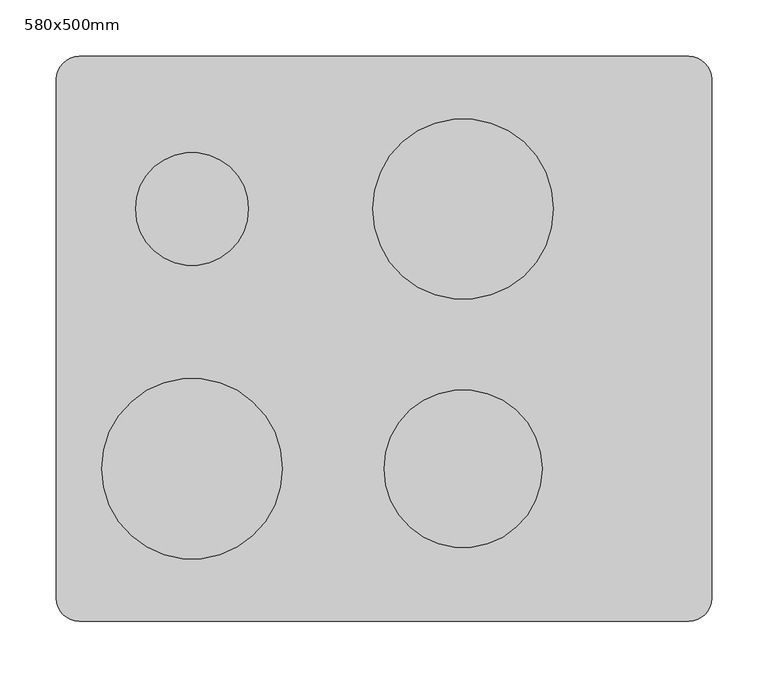
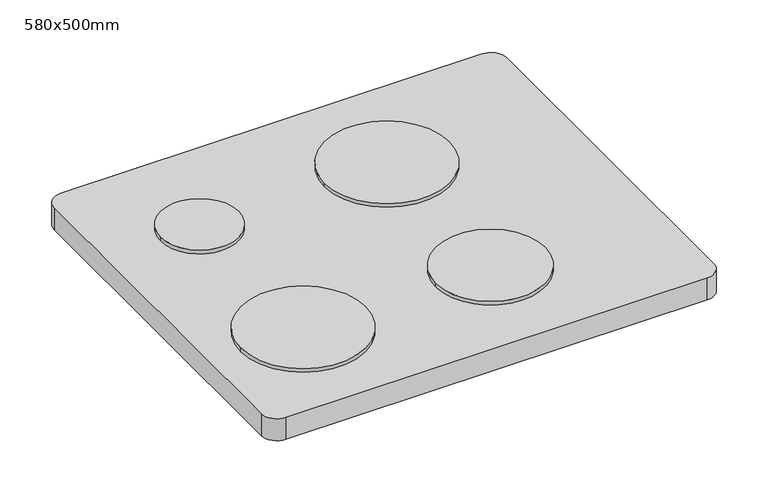
"""IFC4 building model written with IfcOpenShell, lengths in millimetres: proxy geometry, 580x500mm."""

from ifc_helpers import new_model, si_unit, point, frame, frame_2d, origin, origin_with_axes, place, context, project, spatial, polyline, circle_curve, trimmed, segment, composite_curve, outline, extrude, source, transform, mapped, element, save


def proxy_580x500mm_31d160bf(model_context):
    return source(origin(), model_context, "Body", "SweptSolid", [
        extrude(outline(composite_curve([segment(trimmed(circle_curve(frame_2d((-145.0, 115.0)), 50.0), [point((-195.0, 115.0))], [point((-95.0, 115.0))], False, "CARTESIAN"), True, "CONTINUOUS"), segment(trimmed(circle_curve(frame_2d((-145.0, 115.0)), 50.0), [point((-95.0, 115.0))], [point((-195.0, 115.0))], False, "CARTESIAN"), True, "CONTINUOUS")], self_intersect=False)), frame((0.0, 0.0, 30.0), z_axis=(0.0, 0.0, 1.0), x_axis=(1.0, 0.0, 0.0)), (0.0, 0.0, 1.0), 5.0),
        extrude(outline(composite_curve([segment(trimmed(circle_curve(frame_2d((-145.0, -115.0)), 80.0), [point((-225.0, -115.0))], [point((-65.0, -115.0))], False, "CARTESIAN"), True, "CONTINUOUS"), segment(trimmed(circle_curve(frame_2d((-145.0, -115.0)), 80.0), [point((-65.0, -115.0))], [point((-225.0, -115.0))], False, "CARTESIAN"), True, "CONTINUOUS")], self_intersect=False)), frame((0.0, 0.0, 30.0), z_axis=(0.0, 0.0, 1.0), x_axis=(1.0, 0.0, 0.0)), (0.0, 0.0, 1.0), 5.0),
        extrude(outline(composite_curve([segment(trimmed(circle_curve(frame_2d((95.0, 115.0)), 80.0), [point((15.0, 115.0))], [point((175.0, 115.0))], False, "CARTESIAN"), True, "CONTINUOUS"), segment(trimmed(circle_curve(frame_2d((95.0, 115.0)), 80.0), [point((175.0, 115.0))], [point((15.0, 115.0))], False, "CARTESIAN"), True, "CONTINUOUS")], self_intersect=False)), frame((0.0, 0.0, 30.0), z_axis=(0.0, 0.0, 1.0), x_axis=(1.0, 0.0, 0.0)), (0.0, 0.0, 1.0), 5.0),
        extrude(outline(composite_curve([segment(trimmed(circle_curve(frame_2d((95.0, -115.0)), 70.0), [point((25.0, -115.0))], [point((165.0, -115.0))], False, "CARTESIAN"), True, "CONTINUOUS"), segment(trimmed(circle_curve(frame_2d((95.0, -115.0)), 70.0), [point((165.0, -115.0))], [point((25.0, -115.0))], False, "CARTESIAN"), True, "CONTINUOUS")], self_intersect=False)), frame((0.0, 0.0, 30.0), z_axis=(0.0, 0.0, 1.0), x_axis=(1.0, 0.0, 0.0)), (0.0, 0.0, 1.0), 5.0),
        extrude(outline(composite_curve([segment(polyline([(295.0, -250.0), (-245.0, -250.0)]), True, "CONTINUOUS"), segment(trimmed(circle_curve(frame_2d((-245.0, -230.0)), 20.0), [point((-245.0, -250.0))], [point((-265.0, -230.0))], False, "CARTESIAN"), True, "CONTINUOUS"), segment(polyline([(-265.0, -230.0), (-265.0, 230.0)]), True, "CONTINUOUS"), segment(trimmed(circle_curve(frame_2d((-245.0, 230.0)), 20.0), [point((-265.0, 230.0))], [point((-245.0, 250.0))], False, "CARTESIAN"), True, "CONTINUOUS"), segment(polyline([(-245.0, 250.0), (295.0, 250.0)]), True, "CONTINUOUS"), segment(trimmed(circle_curve(frame_2d((295.0, 230.0)), 20.0), [point((295.0, 250.0))], [point((315.0, 230.0))], False, "CARTESIAN"), True, "CONTINUOUS"), segment(polyline([(315.0, 230.0), (315.0, -230.0)]), True, "CONTINUOUS"), segment(trimmed(circle_curve(frame_2d((295.0, -230.0)), 20.0), [point((315.0, -230.0))], [point((295.0, -250.0))], False, "CARTESIAN"), True, "CONTINUOUS")], self_intersect=False)), origin_with_axes(), (0.0, 0.0, 1.0), 30.0),
    ])


if __name__ == "__main__":
    model = new_model("IFC4")
    model_context = context("Model", 3, world=origin())
    ifc_project = project(units=[si_unit("LENGTHUNIT", "METRE", prefix="MILLI")], contexts=[model_context])
    site = spatial("IfcSite", under=ifc_project)
    building = spatial("IfcBuilding", under=site)
    placement = place(None, origin())
    proxy_580x500mm_shape = proxy_580x500mm_31d160bf(model_context)
    element("IfcBuildingElementProxy", 1, Name="580x500mm", ObjectType="580x500mm", at=placement, inside=building, context=model_context, shape_type="MappedRepresentation", body=[
        mapped(proxy_580x500mm_shape, transform((0.0, 0.0, 0.0), x_axis=(1.0, 0.0, 0.0), y_axis=(0.0, 1.0, 0.0), z_axis=(0.0, 0.0, 1.0))),
    ])
    save(model, "model.ifc")
